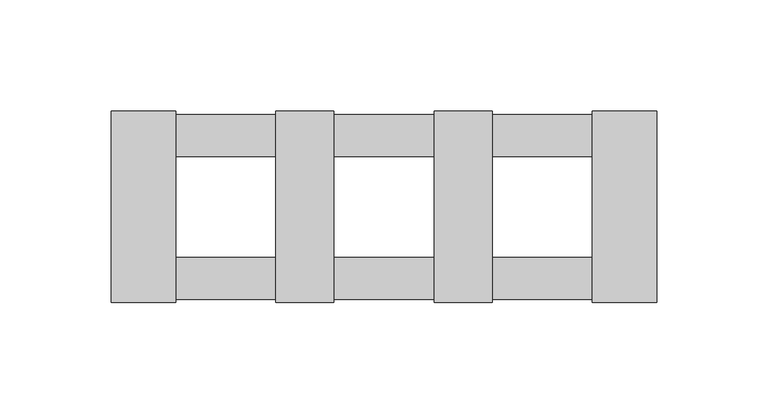
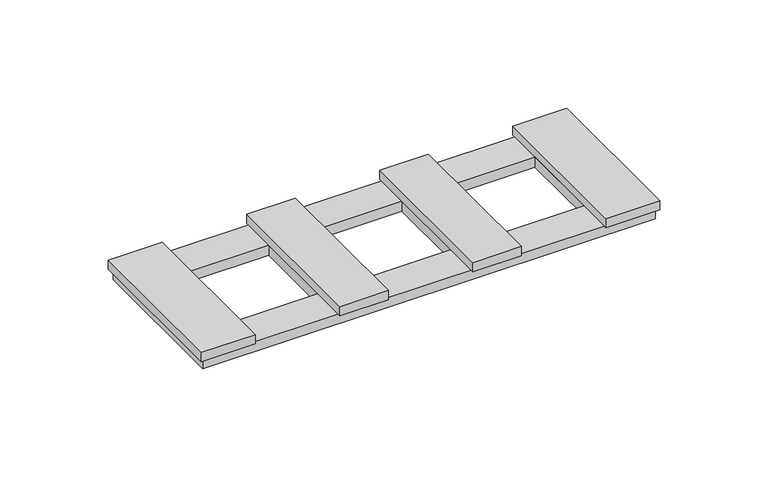
"""IFC4 building model written with IfcOpenShell, lengths in millimetres: proxy geometry."""

from ifc_helpers import new_model, si_unit, frame, origin, origin_with_axes, place, context, project, spatial, polyline, outline, extrude, source, transform, mapped, element, save


def electrical_fixtures_85d3efd6(model_context):
    return source(origin(), model_context, "Body", "SweptSolid", [
        extrude(outline(polyline([(-122.4, -43.0), (-122.4, 43.0), (-93.5, 43.0), (-93.5, -43.0), (-122.4, -43.0)])), frame((0.0, 0.0, 5.5), z_axis=(0.0, 0.0, 1.0), x_axis=(1.0, 0.0, 0.0)), (0.0, 0.0, 1.0), 5.2),
        extrude(outline(polyline([(-48.5, -43.0), (-48.5, 43.0), (-22.5, 43.0), (-22.5, -43.0), (-48.5, -43.0)])), frame((0.0, 0.0, 5.5), z_axis=(0.0, 0.0, 1.0), x_axis=(1.0, 0.0, 0.0)), (0.0, 0.0, 1.0), 5.2),
        extrude(outline(polyline([(22.5, -43.0), (22.5, 43.0), (48.5, 43.0), (48.5, -43.0), (22.5, -43.0)])), frame((0.0, 0.0, 5.5), z_axis=(0.0, 0.0, 1.0), x_axis=(1.0, 0.0, 0.0)), (0.0, 0.0, 1.0), 5.2),
        extrude(outline(polyline([(120.7, 41.5), (120.7, -41.5), (-120.6718172, -41.5), (-120.6718172, 41.5), (120.7, 41.5)]), holes=[polyline([(-48.5, 22.5), (-93.5, 22.5), (-93.5, -22.5), (-48.5, -22.5), (-48.5, 22.5)]), polyline([(-22.5, 22.5), (-22.5, -22.5), (22.5, -22.5), (22.5, 22.5), (-22.5, 22.5)]), polyline([(48.5, 22.5), (48.5, -22.5), (93.5, -22.5), (93.5, 22.5), (48.5, 22.5)])]), origin_with_axes(), (0.0, 0.0, 1.0), 5.5),
        extrude(outline(polyline([(122.4, -43.0), (93.5, -43.0), (93.5, 43.0), (122.4, 43.0), (122.4, -43.0)])), frame((0.0, 0.0, 5.5), z_axis=(0.0, 0.0, 1.0), x_axis=(1.0, 0.0, 0.0)), (0.0, 0.0, 1.0), 5.2),
    ])


if __name__ == "__main__":
    model = new_model("IFC4")
    model_context = context("Model", 3, world=origin())
    ifc_project = project(units=[si_unit("LENGTHUNIT", "METRE", prefix="MILLI")], contexts=[model_context])
    site = spatial("IfcSite", under=ifc_project)
    building = spatial("IfcBuilding", under=site)
    placement = place(None, origin())
    electrical_fixtures_shape = electrical_fixtures_85d3efd6(model_context)
    element("IfcBuildingElementProxy", 1, Name="Electrical Fixtures", at=placement, inside=building, context=model_context, shape_type="MappedRepresentation", body=[
        mapped(electrical_fixtures_shape, transform((0.0, 0.0, 0.0), x_axis=(1.0, 0.0, 0.0), y_axis=(0.0, 1.0, 0.0), z_axis=(0.0, 0.0, 1.0))),
    ])
    save(model, "model.ifc")
